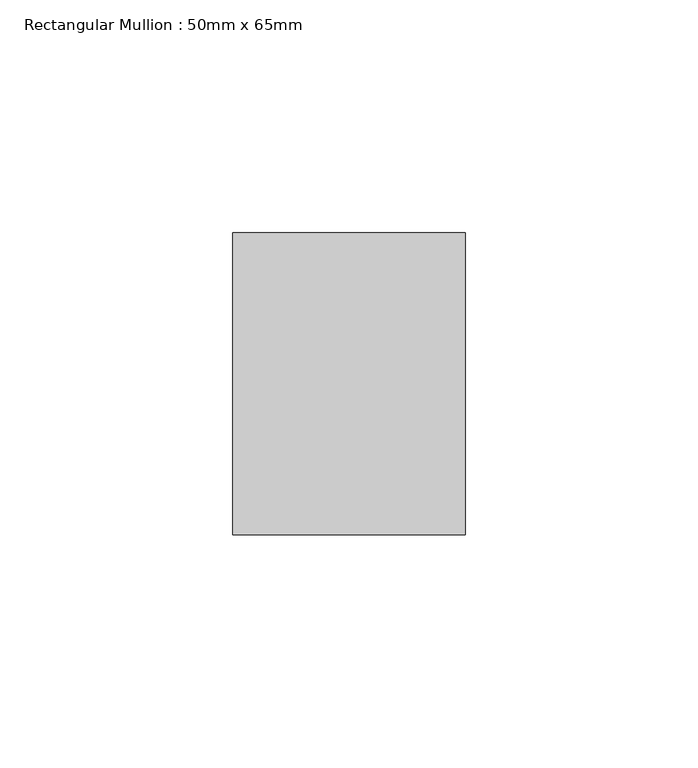
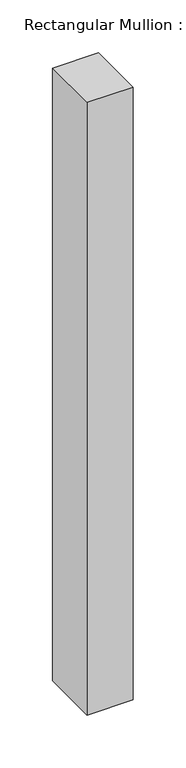
"""IFC4 building model written with IfcOpenShell, lengths in millimetres: member geometry, Rectangular Mullion : 50mm x 65mm."""

import ifcopenshell
import ifcopenshell.guid

model = None  # the IFC model being written
_history = None  # IfcOwnerHistory: only IFC2X3 demands one
_inside = {}  # id of a spatial element -> (the spatial element, [elements in it])
_under = {}  # id of a project, library or spatial element -> (it, [spatial elements below it])
_declared = {}  # id of a project -> (the project, [libraries it declares])
_typed = {}  # id of a type object -> (the type object, [elements of that type])
_made_of = {}  # id of a material, layer set ... -> (it, [elements and type objects made of it])


def new_model(schema):
    """Start an empty IFC model of exactly this schema.

    Asked for "IFC4X3", IfcOpenShell would pick the latest addendum, in which some entities
    have other attributes; the version numbers below select the first issue.
    IFC2X3 requires an IfcOwnerHistory on every rooted entity: one is made here for all.
    """
    global model, _history
    if schema == "IFC4X3":
        model = ifcopenshell.file(schema_version=(4, 3, 0, 0))
    else:
        model = ifcopenshell.file(schema=schema)
    _inside.clear()
    _under.clear()
    _declared.clear()
    _typed.clear()
    _made_of.clear()
    _history = None
    if model.schema == "IFC2X3":
        org = make("IfcOrganization", Name="unknown")
        user = make(
            "IfcPersonAndOrganization",
            ThePerson=make("IfcPerson", FamilyName="unknown"),
            TheOrganization=org,
        )
        app = make(
            "IfcApplication",
            ApplicationDeveloper=org,
            Version="unknown",
            ApplicationFullName="unknown",
            ApplicationIdentifier="unknown",
        )
        _history = make(
            "IfcOwnerHistory",
            OwningUser=user,
            OwningApplication=app,
            ChangeAction="ADDED",
            CreationDate=0,
        )
    return model


def make(cls, **values):
    """One entity of the class cls with the attributes given. An attribute that is None is left unset."""
    return model.create_entity(
        cls, **{name: value for name, value in values.items() if value is not None}
    )


def rooted(cls, **values):
    """An entity with a GlobalId (a new one), such as an element, a storey or a relation."""
    return make(cls, GlobalId=ifcopenshell.guid.new(), OwnerHistory=_history, **values)


def si_unit(unit_type, name, prefix=None):
    """IfcSIUnit, for example si_unit("LENGTHUNIT", "METRE", prefix="MILLI")."""
    return make("IfcSIUnit", UnitType=unit_type, Prefix=prefix, Name=name)


def assignment(units):
    """IfcUnitAssignment: the units of a project."""
    return None if units is None else make("IfcUnitAssignment", Units=units)


def point(xyz):
    """IfcCartesianPoint."""
    return None if xyz is None else make("IfcCartesianPoint", Coordinates=xyz)


def direction(xyz):
    """IfcDirection."""
    return None if xyz is None else make("IfcDirection", DirectionRatios=xyz)


def frame(location, z_axis=None, x_axis=None):
    """IfcAxis2Placement3D, a coordinate frame: its origin and axes. An axis left out is left unset."""
    return make(
        "IfcAxis2Placement3D",
        Location=point(location),
        Axis=direction(z_axis),
        RefDirection=direction(x_axis),
    )


def origin():
    """The frame at (0, 0, 0) with its axes left unset."""
    return frame((0.0, 0.0, 0.0))


def place(relative_to, where):
    """IfcLocalPlacement: puts the frame where relative to a parent placement (None: the world)."""
    return make(
        "IfcLocalPlacement", PlacementRelTo=relative_to, RelativePlacement=where
    )


def context(
    kind, dimensions, precision=None, world=None, true_north=None, identifier=None
):
    """IfcGeometricRepresentationContext, for example the 3D "Model" context."""
    return make(
        "IfcGeometricRepresentationContext",
        ContextIdentifier=identifier,
        ContextType=kind,
        CoordinateSpaceDimension=dimensions,
        Precision=precision,
        WorldCoordinateSystem=world,
        TrueNorth=true_north,
    )


def project(units=None, contexts=None):
    """IfcProject with its units and contexts."""
    return rooted(
        "IfcProject",
        Name="project",
        RepresentationContexts=contexts,
        UnitsInContext=assignment(units),
    )


def spatial(cls, under=None, at=None, **own):
    """A site, building, storey or space (cls), placed at a placement, below another one or the project."""
    s = rooted(cls, ObjectPlacement=at, **own)
    if under is not None:
        _under.setdefault(under.id(), (under, []))[1].append(s)
    return s


def polyline(points):
    """IfcPolyline through the points."""
    return make("IfcPolyline", Points=[point(p) for p in points])


def outline(outer, holes=None, kind="AREA"):
    """IfcArbitraryClosedProfileDef: a profile drawn as a closed curve; with holes, ...WithVoids."""
    if holes is None:
        return make("IfcArbitraryClosedProfileDef", ProfileType=kind, OuterCurve=outer)
    return make(
        "IfcArbitraryProfileDefWithVoids",
        ProfileType=kind,
        OuterCurve=outer,
        InnerCurves=holes,
    )


def extrude(swept, where, along, depth):
    """IfcExtrudedAreaSolid: the profile swept, set in the frame where, extruded along a direction by depth."""
    return make(
        "IfcExtrudedAreaSolid",
        SweptArea=swept,
        Position=where,
        ExtrudedDirection=direction(along),
        Depth=depth,
    )


def shape(context_of_items, identifier, shape_type, items):
    """IfcShapeRepresentation: the items that make up one representation, for example the "Body"."""
    return make(
        "IfcShapeRepresentation",
        ContextOfItems=context_of_items,
        RepresentationIdentifier=identifier,
        RepresentationType=shape_type,
        Items=items,
    )


def source(mapping_origin, context_of_items, identifier, shape_type, items):
    """IfcRepresentationMap: a shape defined once, which mapped items show again and again."""
    return make(
        "IfcRepresentationMap",
        MappingOrigin=mapping_origin,
        MappedRepresentation=shape(context_of_items, identifier, shape_type, items),
    )


def transform(
    local_origin,
    x_axis=None,
    y_axis=None,
    z_axis=None,
    scale=None,
    scale2=None,
    scale3=None,
    uniform=True,
):
    """IfcCartesianTransformationOperator3D, or its non-uniform kind. x_axis, y_axis, z_axis: its Axis1, 2, 3."""
    if uniform:
        return make(
            "IfcCartesianTransformationOperator3D",
            Axis1=direction(x_axis),
            Axis2=direction(y_axis),
            LocalOrigin=point(local_origin),
            Scale=scale,
            Axis3=direction(z_axis),
        )
    return make(
        "IfcCartesianTransformationOperator3DnonUniform",
        Axis1=direction(x_axis),
        Axis2=direction(y_axis),
        LocalOrigin=point(local_origin),
        Scale=scale,
        Axis3=direction(z_axis),
        Scale2=scale2,
        Scale3=scale3,
    )


def mapped(mapping_source, mapping_target):
    """IfcMappedItem: shows the shape of a source again, moved by a transform."""
    return make(
        "IfcMappedItem", MappingSource=mapping_source, MappingTarget=mapping_target
    )


def made_of(thing, what):
    """Note that an element or type object is made of a material, layer set ...; save() writes the relation."""
    if what is not None:
        _made_of.setdefault(what.id(), (what, []))[1].append(thing)
    return thing


def element(
    cls,
    number,
    at=None,
    inside=None,
    cuts=None,
    type_object=None,
    material=None,
    context=None,
    identifier="Body",
    shape_type=None,
    held_by="IfcProductDefinitionShape",
    body=None,
    shapes=None,
    **own,
):
    """One element of the class cls, such as IfcWall. Its Tag is "e" and its number.

    at: its placement. inside: the storey or other place that contains it. cuts: it is an
    opening in that element (IfcRelVoidsElement). A single representation is given by context,
    identifier, shape_type and body (its items); several are given by shapes. held_by: the class
    of the entity that holds the representations. save() writes the other relations.
    """
    e = rooted(cls, Tag="e%d" % number, ObjectPlacement=at, **own)
    if body is not None:
        shapes = [shape(context, identifier, shape_type, body)]
    if shapes is not None:
        e.Representation = make(held_by, Representations=shapes)
    if inside is not None:
        _inside.setdefault(inside.id(), (inside, []))[1].append(e)
    if cuts is not None:
        rooted(
            "IfcRelVoidsElement", RelatingBuildingElement=cuts, RelatedOpeningElement=e
        )
    if type_object is not None:
        _typed.setdefault(type_object.id(), (type_object, []))[1].append(e)
    return made_of(e, material)


def aggregate(whole, parts):
    """IfcRelAggregates: a whole, such as a stair, and the parts it consists of."""
    return rooted("IfcRelAggregates", RelatingObject=whole, RelatedObjects=parts)


def save(model, path):
    """Write the relations noted so far, then the file.

    IfcRelAggregates (storeys below a building ...), IfcRelContainedInSpatialStructure (elements
    in a storey), IfcRelDefinesByType, IfcRelAssociatesMaterial and IfcRelDeclares: one each for
    every whole, place, type object, material and project.
    """
    for whole, parts in _under.values():
        aggregate(whole, parts)
    for where, things in _inside.values():
        rooted(
            "IfcRelContainedInSpatialStructure",
            RelatedElements=things,
            RelatingStructure=where,
        )
    for kind, things in _typed.values():
        rooted("IfcRelDefinesByType", RelatedObjects=things, RelatingType=kind)
    for what, things in _made_of.values():
        rooted("IfcRelAssociatesMaterial", RelatedObjects=things, RelatingMaterial=what)
    for by, libraries in _declared.values():
        rooted("IfcRelDeclares", RelatingContext=by, RelatedDefinitions=libraries)
    model.write(path)


def rectangular_mullion_50mm_x_65mm_99498b0e(model_context):
    return source(origin(), model_context, "Body", "SweptSolid", [
        extrude(outline(polyline([(25.0, 32.5), (25.0, -32.5), (-25.0, -32.5), (-25.0, 32.5), (25.0, 32.5)])), frame((0.0, 0.0, -705.7731159), z_axis=(0.0, 0.0, 1.0), x_axis=(1.0, 0.0, 0.0)), (0.0, 0.0, 1.0), 705.7731159),
    ])


if __name__ == "__main__":
    model = new_model("IFC4")
    model_context = context("Model", 3, world=origin())
    ifc_project = project(units=[si_unit("LENGTHUNIT", "METRE", prefix="MILLI")], contexts=[model_context])
    site = spatial("IfcSite", under=ifc_project)
    building = spatial("IfcBuilding", under=site)
    placement = place(None, origin())
    rectangular_mullion_50mm_x_65mm_shape = rectangular_mullion_50mm_x_65mm_99498b0e(model_context)
    element("IfcMember", 1, ObjectType="Rectangular Mullion : 50mm x 65mm", at=placement, inside=building, context=model_context, shape_type="MappedRepresentation", body=[
        mapped(rectangular_mullion_50mm_x_65mm_shape, transform((0.0, 0.0, 0.0), x_axis=(1.0, 0.0, 0.0), y_axis=(0.0, 1.0, 0.0), z_axis=(0.0, 0.0, 1.0))),
    ])
    save(model, "model.ifc")
